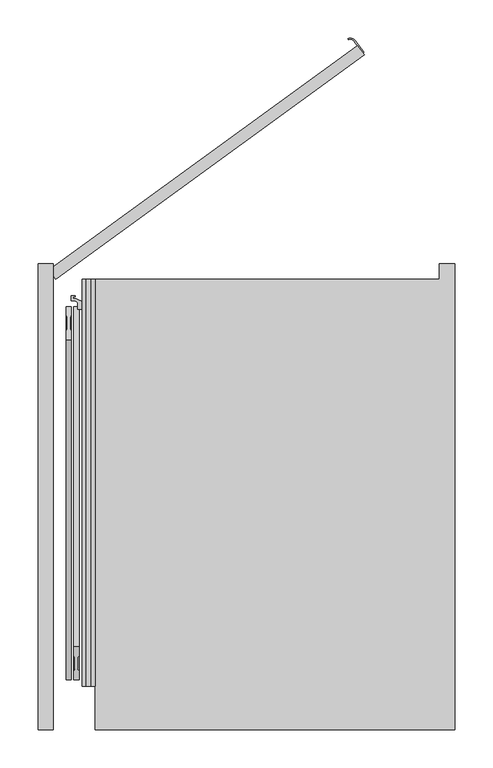
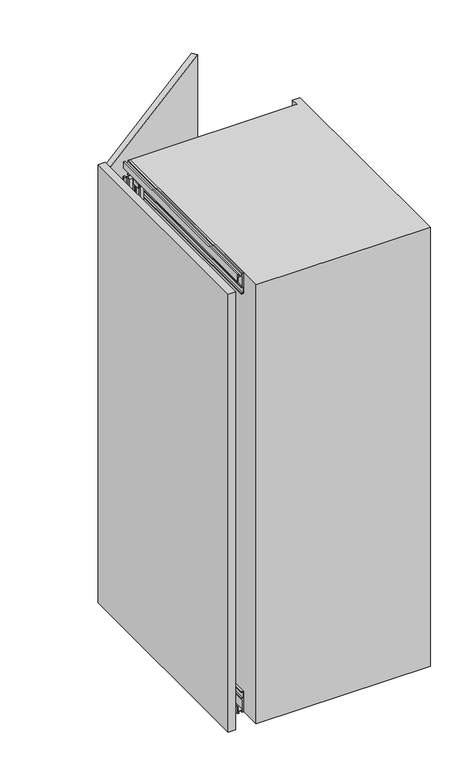
"""IFC4 building model written with IfcOpenShell, lengths in millimetres: furniture geometry."""

from ifc_helpers import new_model, si_unit, point, frame, frame_2d, origin, origin_with_axes, place, context, project, spatial, polyline, circle_curve, trimmed, segment, composite_curve, outline, extrude, faceted_brep, source, transform, mapped, element, save


def furniture_617b8d6f(model_context):
    return source(origin(), model_context, "Body", "SolidModel", [
        extrude(outline(composite_curve([segment(polyline([(350.7451414, 296.3196771), (339.8600452, 311.3017268)]), True, "CONTINUOUS"), segment(trimmed(circle_curve(frame_2d((334.2088338, 307.1958814)), 6.9852814), [point((339.8600452, 311.3017268))], [point((331.7055329, 313.7172034))], True, "CARTESIAN"), True, "CONTINUOUS"), segment(polyline([(331.7055329, 313.7172034), (331.167981, 315.117574)]), True, "CONTINUOUS"), segment(trimmed(circle_curve(frame_2d((334.2088338, 307.1958814)), 8.4852814), [point((331.167981, 315.117574))], [point((341.0735707, 312.1834047))], False, "CARTESIAN"), True, "CONTINUOUS"), segment(polyline([(341.0735707, 312.1834047), (351.9586669, 297.201355), (350.7451414, 296.3196771)]), True, "CONTINUOUS")], self_intersect=False)), frame((0.0, 0.0, 560.0), z_axis=(0.0, 0.0, 1.0), x_axis=(1.0, 0.0, 0.0)), (0.0, 0.0, 1.0), 180.0),
        extrude(outline(polyline([(-60.8167788, 12.1352549), (343.6917184, 306.0278811), (352.5084972, 293.8926261), (-52.0, 0.0), (-60.8167788, 12.1352549)])), origin_with_axes(), (0.0, 0.0, 1.0), 1250.0),
        extrude(outline(polyline([(17.0, -17.0), (-2.0, -17.0), (-2.0, -12.75), (0.25, -12.75), (0.25, -15.0), (2.9, -15.0), (2.9, -3.0), (0.25, -3.0), (0.25, -5.25), (-2.0, -5.25), (-2.0, 0.0), (56.5663764, 0.0), (57.0913089, -6.0), (54.1547673, -6.0), (54.1547673, -2.5), (38.5, -2.5), (38.5, -6.0), (35.5, -6.0), (35.5, -3.0104888), (5.5, -3.0104888), (5.5, -15.0), (17.0, -15.0), (17.0, -17.0)])), frame((0.0, -533.0, 0.0), z_axis=(0.0, 1.0, 0.0), x_axis=(0.0, 0.0, 1.0)), (0.0, 0.0, 1.0), 533.0),
        extrude(outline(polyline([(1233.0, -15.0), (1244.5, -15.0), (1244.5, -3.0104888), (1214.5, -3.0104888), (1214.5, -6.0), (1211.5, -6.0), (1211.5, -2.5), (1195.8452327, -2.5), (1195.8452327, -6.0), (1192.9086911, -6.0), (1193.4336236, 0.0), (1252.0, 0.0), (1252.0, -5.25), (1249.75, -5.25), (1249.75, -3.0), (1247.1, -3.0), (1247.1, -15.0), (1249.75, -15.0), (1249.75, -12.75), (1252.0, -12.75), (1252.0, -17.0), (1233.0, -17.0), (1233.0, -15.0)])), frame((0.0, -533.0, 0.0), z_axis=(0.0, 1.0, 0.0), x_axis=(0.0, 0.0, 1.0)), (0.0, 0.0, 1.0), 533.0),
        faceted_brep([(-15.8313044, -44.5, 33.9), (-15.8313044, -44.5, 21.9), (-15.8313044, -68.7, 21.9), (-15.8313044, -68.7, 33.9), (-13.8052444, -68.7, 33.9), (-13.8052444, -68.7, 21.9), (-13.8052444, -44.5, 21.9), (-13.8052444, -44.5, 33.9), (-14.2052444, -68.7, 19.301924), (-14.2052444, -68.7, 21.9), (-14.2052444, -44.5, 21.9), (-14.2052444, -44.5, 19.301924), (-10.2052444, -81.5, 21.9), (-7.7858983, -81.5, 21.9), (-3.8052444, -77.5193461, 21.9), (-3.8052444, -35.5, 21.9), (-7.8052444, -31.5, 21.9), (-10.2052444, -31.5, 21.9), (-14.2052444, -35.5, 21.9), (-14.2052444, -77.5, 21.9), (-3.8052444, -70.0, 9.0920874), (-14.2052444, -70.0, 9.0920874), (-14.2052444, -42.8540496, 9.0920874), (-3.8052444, -42.8540496, 9.0920874), (-14.2052444, -77.5, 14.45), (-10.2052444, -81.5, 14.45), (-14.2052444, -70.0, 14.45), (-14.2052444, -35.5, 14.45), (-14.2052444, -42.8540496, 14.45), (-14.2052444, -64.0, 15.2), (-14.2052444, -64.0, 11.4378021), (-14.2052444, -49.0, 11.4378021), (-14.2052444, -49.0, 15.2), (-10.2052444, -31.5, 14.45), (-7.8052444, -31.5, 14.45), (-3.8052444, -35.5, 14.45), (-3.8052444, -77.5193461, 14.45), (-3.8052444, -70.0, 14.45), (-3.8052444, -42.8540496, 14.45), (-3.8052444, -49.0, 15.2), (-3.8052444, -49.0, 11.4378021), (-3.8052444, -64.0, 11.4378021), (-3.8052444, -64.0, 15.2), (-7.7858983, -81.5, 14.45)], [[[0, 1, 2, 3]], [[4, 5, 6, 7]], [[3, 4, 7, 0]], [[3, 2, 8, 9, 5, 4]], [[7, 6, 10, 11, 1, 0]], [[1, 11, 8, 2]], [[12, 13, 14, 15, 16, 17, 18, 10, 6, 5, 9, 19]], [[20, 21, 22, 23]], [[19, 24, 25, 12]], [[21, 26, 24, 19, 9, 8, 11, 10, 18, 27, 28, 22], [29, 30, 31, 32]], [[17, 33, 27, 18]], [[16, 34, 33, 17]], [[15, 35, 34, 16]], [[14, 36, 37, 20, 23, 38, 35, 15], [39, 40, 41, 42]], [[13, 43, 36, 14]], [[12, 25, 43, 13]], [[37, 36, 43, 25, 24, 26]], [[26, 21, 20, 37]], [[29, 32, 39, 42]], [[42, 41, 30, 29]], [[32, 31, 40, 39]], [[28, 27, 33, 34, 35, 38]], [[38, 23, 22, 28]], [[41, 40, 31, 30]]]),
        extrude(outline(composite_curve([segment(trimmed(circle_curve(frame_2d((-9.0052444, -37.1770248)), 5.75), [point((-9.0052444, -42.9270248))], [point((-9.0052444, -31.4270248))], False, "CARTESIAN"), True, "CONTINUOUS"), segment(trimmed(circle_curve(frame_2d((-9.0052444, -37.1770248)), 5.75), [point((-9.0052444, -31.4270248))], [point((-9.0052444, -42.9270248))], False, "CARTESIAN"), True, "CONTINUOUS")], self_intersect=False)), frame((0.0, 0.0, 6.65), z_axis=(0.0, 0.0, 1.0), x_axis=(1.0, 0.0, 0.0)), (0.0, 0.0, 1.0), 7.3),
        extrude(outline(composite_curve([segment(trimmed(circle_curve(frame_2d((-9.0052444, -56.5)), 5.75), [point((-9.0052444, -62.25))], [point((-9.0052444, -50.75))], False, "CARTESIAN"), True, "CONTINUOUS"), segment(trimmed(circle_curve(frame_2d((-9.0052444, -56.5)), 5.75), [point((-9.0052444, -50.75))], [point((-9.0052444, -62.25))], False, "CARTESIAN"), True, "CONTINUOUS")], self_intersect=False)), frame((0.0, 0.0, 11.4378021), z_axis=(0.0, 0.0, 1.0), x_axis=(1.0, 0.0, 0.0)), (0.0, 0.0, 1.0), 3.7621979),
        extrude(outline(composite_curve([segment(trimmed(circle_curve(frame_2d((-9.0052444, -75.75)), 5.75), [point((-9.0052444, -81.5))], [point((-9.0052444, -70.0))], False, "CARTESIAN"), True, "CONTINUOUS"), segment(trimmed(circle_curve(frame_2d((-9.0052444, -75.75)), 5.75), [point((-9.0052444, -70.0))], [point((-9.0052444, -81.5))], False, "CARTESIAN"), True, "CONTINUOUS")], self_intersect=False)), frame((0.0, 0.0, 6.65), z_axis=(0.0, 0.0, 1.0), x_axis=(1.0, 0.0, 0.0)), (0.0, 0.0, 1.0), 7.3),
        faceted_brep([(-15.8313044, -68.5, 1216.1), (-15.8313044, -68.5, 1228.1), (-15.8313044, -44.3, 1228.1), (-15.8313044, -44.3, 1216.1), (-13.8052444, -44.3, 1216.1), (-13.8052444, -44.3, 1228.1), (-13.8052444, -68.5, 1228.1), (-13.8052444, -68.5, 1216.1), (-14.2052444, -44.3, 1230.698076), (-14.2052444, -44.3, 1228.1), (-14.2052444, -68.5, 1228.1), (-14.2052444, -68.5, 1230.698076), (-10.2052444, -31.5, 1228.1), (-7.7858983, -31.5, 1228.1), (-3.8052444, -35.4806539, 1228.1), (-3.8052444, -77.5, 1228.1), (-7.8052444, -81.5, 1228.1), (-10.2052444, -81.5, 1228.1), (-14.2052444, -77.5, 1228.1), (-14.2052444, -35.5, 1228.1), (-3.8052444, -43.0, 1240.9079126), (-14.2052444, -43.0, 1240.9079126), (-14.2052444, -70.1459504, 1240.9079126), (-3.8052444, -70.1459504, 1240.9079126), (-14.2052444, -35.5, 1235.55), (-10.2052444, -31.5, 1235.55), (-14.2052444, -43.0, 1235.55), (-14.2052444, -77.5, 1235.55), (-14.2052444, -70.1459504, 1235.55), (-14.2052444, -49.0, 1234.8), (-14.2052444, -49.0, 1238.5621979), (-14.2052444, -64.0, 1238.5621979), (-14.2052444, -64.0, 1234.8), (-10.2052444, -81.5, 1235.55), (-7.8052444, -81.5, 1235.55), (-3.8052444, -77.5, 1235.55), (-3.8052444, -35.4806539, 1235.55), (-3.8052444, -43.0, 1235.55), (-3.8052444, -70.1459504, 1235.55), (-3.8052444, -64.0, 1234.8), (-3.8052444, -64.0, 1238.5621979), (-3.8052444, -49.0, 1238.5621979), (-3.8052444, -49.0, 1234.8), (-7.7858983, -31.5, 1235.55)], [[[0, 1, 2, 3]], [[4, 5, 6, 7]], [[3, 4, 7, 0]], [[3, 2, 8, 9, 5, 4]], [[7, 6, 10, 11, 1, 0]], [[1, 11, 8, 2]], [[12, 13, 14, 15, 16, 17, 18, 10, 6, 5, 9, 19]], [[20, 21, 22, 23]], [[19, 24, 25, 12]], [[21, 26, 24, 19, 9, 8, 11, 10, 18, 27, 28, 22], [29, 30, 31, 32]], [[17, 33, 27, 18]], [[16, 34, 33, 17]], [[15, 35, 34, 16]], [[14, 36, 37, 20, 23, 38, 35, 15], [39, 40, 41, 42]], [[13, 43, 36, 14]], [[12, 25, 43, 13]], [[37, 36, 43, 25, 24, 26]], [[26, 21, 20, 37]], [[29, 32, 39, 42]], [[42, 41, 30, 29]], [[32, 31, 40, 39]], [[28, 27, 33, 34, 35, 38]], [[38, 23, 22, 28]], [[41, 40, 31, 30]]]),
        extrude(outline(composite_curve([segment(trimmed(circle_curve(frame_2d((-9.0052444, -75.8229752)), 5.75), [point((-9.0052444, -70.0729752))], [point((-9.0052444, -81.5729752))], False, "CARTESIAN"), True, "CONTINUOUS"), segment(trimmed(circle_curve(frame_2d((-9.0052444, -75.8229752)), 5.75), [point((-9.0052444, -81.5729752))], [point((-9.0052444, -70.0729752))], False, "CARTESIAN"), True, "CONTINUOUS")], self_intersect=False)), frame((0.0, 0.0, 1236.05), z_axis=(0.0, 0.0, 1.0), x_axis=(1.0, 0.0, 0.0)), (0.0, 0.0, 1.0), 7.3),
        extrude(outline(composite_curve([segment(trimmed(circle_curve(frame_2d((-9.0052444, -56.5)), 5.75), [point((-9.0052444, -50.75))], [point((-9.0052444, -62.25))], False, "CARTESIAN"), True, "CONTINUOUS"), segment(trimmed(circle_curve(frame_2d((-9.0052444, -56.5)), 5.75), [point((-9.0052444, -62.25))], [point((-9.0052444, -50.75))], False, "CARTESIAN"), True, "CONTINUOUS")], self_intersect=False)), frame((0.0, 0.0, 1234.8), z_axis=(0.0, 0.0, 1.0), x_axis=(1.0, 0.0, 0.0)), (0.0, 0.0, 1.0), 3.7621979),
        extrude(outline(composite_curve([segment(trimmed(circle_curve(frame_2d((-9.0052444, -37.25)), 5.75), [point((-9.0052444, -31.5))], [point((-9.0052444, -43.0))], False, "CARTESIAN"), True, "CONTINUOUS"), segment(trimmed(circle_curve(frame_2d((-9.0052444, -37.25)), 5.75), [point((-9.0052444, -43.0))], [point((-9.0052444, -31.5))], False, "CARTESIAN"), True, "CONTINUOUS")], self_intersect=False)), frame((0.0, 0.0, 1236.05), z_axis=(0.0, 0.0, 1.0), x_axis=(1.0, 0.0, 0.0)), (0.0, 0.0, 1.0), 7.3),
        extrude(outline(polyline([(-8.4980052, -11.2885509), (-7.0980161, -8.7447793), (-7.0980161, 8.7447793), (-8.4980052, 11.2885509), (-8.4980052, 24.9437823), (-1.5019948, 24.9437823), (-1.5019948, 11.2885509), (-2.9019839, 8.7447793), (-2.9019839, -8.7447793), (-1.5019948, -11.2885509), (-1.5019948, -24.9437823), (-8.4980052, -24.9437823), (-8.4980052, -11.2885509)])), frame((-30.0, -503.0, 263.0), z_axis=(0.0, 0.4947027976397947, 0.869062219871144), x_axis=(1.0, 0.0, 0.0)), (0.0, 0.0, 1.0), 900.0),
        extrude(outline(polyline([(1.5019948, 11.2885509), (1.5019948, 24.9437822), (8.4980052, 24.9437822), (8.4980052, 11.2885509), (7.0980161, 8.7447792), (7.0980161, -8.7447792), (8.4980052, -11.2885509), (8.4980052, -24.9437822), (1.5019948, -24.9437822), (1.5019948, -11.2885509), (2.9019839, -8.7447792), (2.9019839, 8.7447792), (1.5019948, 11.2885509)])), frame((-30.0, -57.7674821, 380.8440021), z_axis=(0.0, -0.4947027976397937, 0.8690622198711445), x_axis=(1.0, 0.0, 0.0)), (0.0, 0.0, 1.0), 900.0),
        extrude(outline(polyline([(-14.6, -76.0), (-14.6, -68.7), (-12.2, -68.7), (-12.2, -72.2), (-9.6, -72.2), (-9.6, -64.5), (-10.6, -63.5), (-10.6, -49.5), (-9.6, -48.5), (-9.6, -40.8), (-12.2, -40.8), (-12.2, -44.3), (-14.6, -44.3), (-14.6, -39.5), (-23.35, -39.5), (-23.35, -31.0), (-26.35, -28.0), (-31.6, -28.0), (-31.6, -21.5), (-26.3, -21.5), (-26.3, -23.2), (-29.1, -23.2), (-29.1, -25.5), (-25.2566983, -25.5), (-21.16538, -27.407813), (-15.99707, -29.2889243), (-14.7999998, -26.0), (-11.1, -26.0), (-10.1, -25.0), (-9.1, -25.0), (-9.1, -30.5928201), (-12.6, -28.5720943), (-12.6, -34.5), (-11.1, -36.0), (-8.85, -36.0), (-6.85, -38.0), (-6.85, -76.0), (-14.6, -76.0)])), frame((0.0, 0.0, 21.9), z_axis=(0.0, 0.0, 1.0), x_axis=(1.0, 0.0, 0.0)), (0.0, 0.0, 1.0), 1206.2),
        extrude(outline(polyline([(-75.0, -590.0), (-75.0, 20.0), (-55.0, 20.0), (-55.0, -590.0), (-75.0, -590.0)])), origin_with_axes(), (0.0, 0.0, 1.0), 1252.0),
        extrude(outline(polyline([(451.0, 0.0), (451.0, 20.0), (471.0, 20.0), (471.0, -590.0), (0.0, -590.0), (0.0, 0.0), (451.0, 0.0)])), frame((0.0, 0.0, -2.0), z_axis=(0.0, 0.0, 1.0), x_axis=(1.0, 0.0, 0.0)), (0.0, 0.0, 1.0), 1254.0),
    ])


if __name__ == "__main__":
    model = new_model("IFC4")
    model_context = context("Model", 3, world=origin())
    ifc_project = project(units=[si_unit("LENGTHUNIT", "METRE", prefix="MILLI")], contexts=[model_context])
    site = spatial("IfcSite", under=ifc_project)
    building = spatial("IfcBuilding", under=site)
    placement = place(None, origin())
    furniture_shape = furniture_617b8d6f(model_context)
    element("IfcFurniture", 1, at=placement, inside=building, context=model_context, shape_type="MappedRepresentation", body=[
        mapped(furniture_shape, transform((0.0, 0.0, 0.0), x_axis=(1.0, 0.0, 0.0), y_axis=(0.0, 1.0, 0.0), z_axis=(0.0, 0.0, 1.0))),
    ])
    save(model, "model.ifc")
